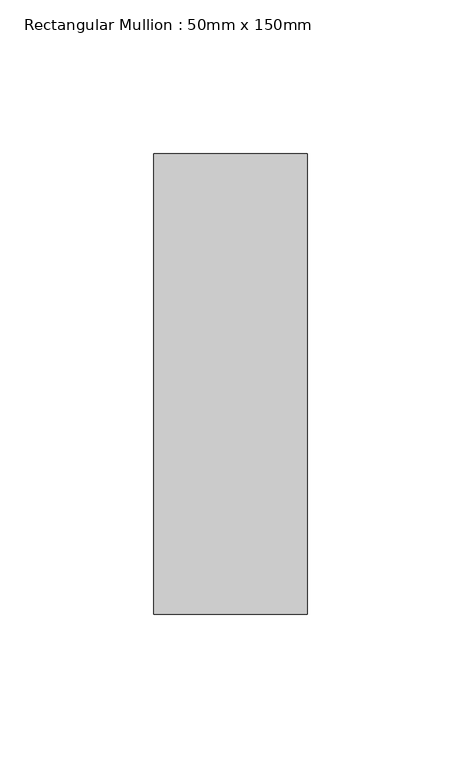
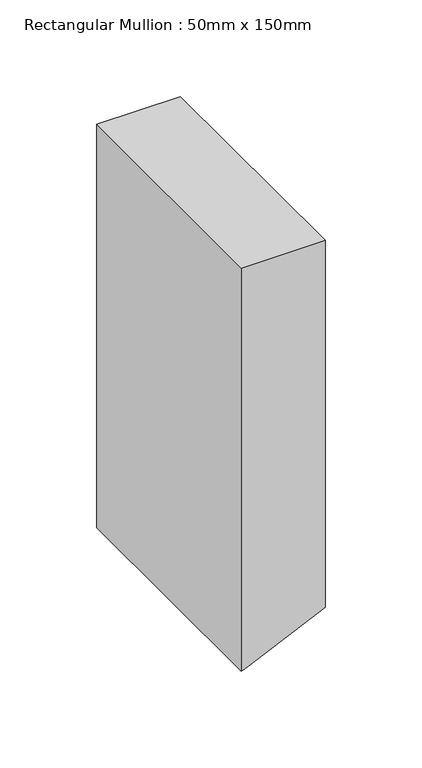
"""IFC4 building model written with IfcOpenShell, lengths in millimetres: member geometry, Rectangular Mullion : 50mm x 150mm."""

from ifc_helpers import new_model, si_unit, frame, origin, place, context, project, spatial, polyline, outline, extrude, source, transform, mapped, element, save


def rectangular_mullion_50mm_x_150mm_dbfe657e(model_context):
    return source(origin(), model_context, "Body", "SweptSolid", [
        extrude(outline(polyline([(0.0, 25.0), (0.0, -25.0), (-254.8988894, -25.0), (-253.0623928, -21.0411824), (-231.7038753, 25.0), (0.0, 25.0)])), frame((0.0, -75.0, 0.0), z_axis=(0.0, 1.0, 0.0), x_axis=(0.0, 0.0, 1.0)), (0.0, 0.0, 1.0), 150.0),
    ])


if __name__ == "__main__":
    model = new_model("IFC4")
    model_context = context("Model", 3, world=origin())
    ifc_project = project(units=[si_unit("LENGTHUNIT", "METRE", prefix="MILLI")], contexts=[model_context])
    site = spatial("IfcSite", under=ifc_project)
    building = spatial("IfcBuilding", under=site)
    placement = place(None, origin())
    rectangular_mullion_50mm_x_150mm_shape = rectangular_mullion_50mm_x_150mm_dbfe657e(model_context)
    element("IfcMember", 1, ObjectType="Rectangular Mullion : 50mm x 150mm", at=placement, inside=building, context=model_context, shape_type="MappedRepresentation", body=[
        mapped(rectangular_mullion_50mm_x_150mm_shape, transform((0.0, 0.0, 0.0), x_axis=(1.0, 0.0, 0.0), y_axis=(0.0, 1.0, 0.0), z_axis=(0.0, 0.0, 1.0))),
    ])
    save(model, "model.ifc")
